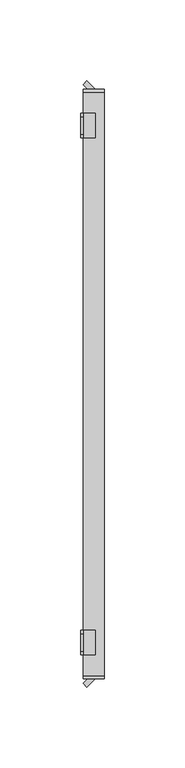
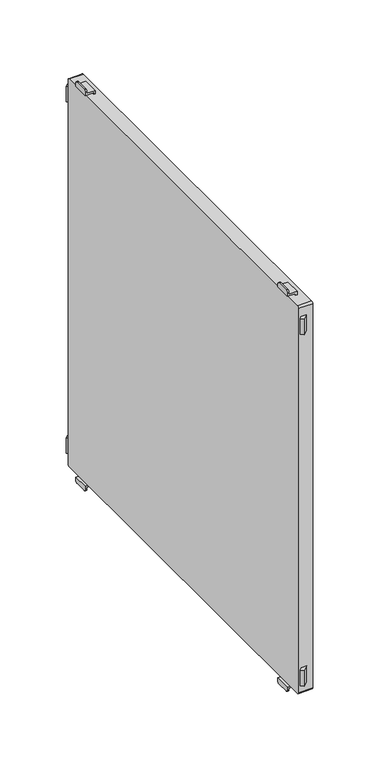
"""IFC4 building model written with IfcOpenShell, lengths in millimetres: furniture geometry."""

from ifc_helpers import new_model, si_unit, point, frame, frame_2d, origin, place, context, project, spatial, polyline, circle_curve, trimmed, segment, composite_curve, outline, extrude, source, transform, mapped, element, save
from ifc_brep_helpers import plane_surface, cylinder_surface, advanced_brep


def furniture_0a578b48(model_context):
    return source(origin(), model_context, "Body", "SolidModel", [
        advanced_brep(
        [(-197.0, 152.5, 515.5), (-197.0, 154.5, 513.5), (-197.0, 165.5, 513.5), (-197.0, 167.5, 515.5), (-197.0, 167.5, 517.0), (-197.0, 152.5, 517.0), (-198.5, 152.5, 518.5), (-198.5, 167.5, 518.5), (-198.5, 167.5, 515.5), (-198.5, 165.5, 513.5), (-198.5, 154.5, 513.5), (-198.5, 152.5, 515.5), (-189.5011497, 152.5, 517.0), (-189.5011497, 152.5, 520.0), (-191.0011497, 152.5, 520.0), (-191.0011497, 152.5, 518.5), (-191.0011497, 167.5, 518.5), (-191.0011497, 167.5, 520.0), (-189.5011497, 167.5, 520.0), (-189.5011497, 167.5, 517.0)],
        [
            (0, 1, circle_curve(frame((-197.0, 154.5, 515.5), z_axis=(1.0, 0.0, 0.0), x_axis=(0.0, 1.0, 0.0)), 2.0)),
            (1, 2),
            (2, 3, circle_curve(frame((-197.0, 165.5, 515.5), z_axis=(1.0, 0.0, 0.0), x_axis=(0.0, 1.0, 0.0)), 2.0)),
            (3, 4),
            (4, 5),
            (5, 0),
            (6, 7),
            (7, 8),
            (8, 9, circle_curve(frame((-198.5, 165.5, 515.5), z_axis=(-1.0, 0.0, 0.0), x_axis=(0.0, 1.0, 0.0)), 2.0)),
            (9, 10),
            (10, 11, circle_curve(frame((-198.5, 154.5, 515.5), z_axis=(-1.0, 0.0, 0.0), x_axis=(0.0, 1.0, 0.0)), 2.0)),
            (11, 6),
            (11, 0),
            (5, 12),
            (12, 13),
            (13, 14),
            (14, 15),
            (15, 6),
            (10, 1),
            (9, 2),
            (8, 3),
            (7, 16),
            (16, 17),
            (17, 18),
            (18, 19),
            (19, 4),
            (15, 16),
            (12, 19),
            (18, 13),
            (17, 14),
        ],
        [
            plane_surface(frame((-197.0, 152.5, 517.0), z_axis=(1.0, 0.0, 0.0), x_axis=(0.0, 0.0, -1.0))),
            plane_surface(frame((-198.5, 152.5, 517.0), z_axis=(-1.0, 0.0, 0.0), x_axis=(0.0, 0.0, 1.0))),
            plane_surface(frame((-197.0, 152.5, 518.5), z_axis=(0.0, -1.0, 0.0), x_axis=(-1.0, 0.0, 0.0))),
            cylinder_surface(frame((-198.5, 154.5, 515.5), z_axis=(1.0, 0.0, 0.0), x_axis=(0.0, 1.0, 0.0)), 2.0),
            plane_surface(frame((-197.0, 154.5, 513.5), z_axis=(0.0, 0.0, -1.0), x_axis=(-1.0, 0.0, 0.0))),
            cylinder_surface(frame((-198.5, 165.5, 515.5), z_axis=(1.0, 0.0, 0.0), x_axis=(0.0, 1.0, 0.0)), 2.0),
            plane_surface(frame((-197.0, 167.5, 515.5), z_axis=(0.0, 1.0, 0.0), x_axis=(-1.0, 0.0, 0.0))),
            plane_surface(frame((-197.0, 167.5, 518.5), z_axis=(0.0, 0.0, 1.0), x_axis=(-1.0, 0.0, 0.0))),
            plane_surface(frame((-189.5011497, 152.5, 517.0), z_axis=(1.0, 0.0, 0.0), x_axis=(0.0, 1.0, 0.0))),
            plane_surface(frame((-189.5011497, 152.5, 520.0), z_axis=(0.0, 0.0, 1.0), x_axis=(0.0, 1.0, 0.0))),
            plane_surface(frame((-191.0011497, 152.5, 520.0), z_axis=(-1.0, 0.0, 0.0), x_axis=(0.0, 1.0, 0.0))),
            plane_surface(frame((-197.0, 152.5, 517.0), z_axis=(0.0, 0.0, -1.0), x_axis=(0.0, 1.0, 0.0))),
        ],
        [
            (0, [[1, 2, 3, 4, 5, 6]]),
            (1, [[7, 8, 9, 10, 11, 12]]),
            (2, [[-12, 13, -6, 14, 15, 16, 17, 18]]),
            (3, [[-1, -13, -11, 19]]),
            (4, [[-2, -19, -10, 20]]),
            (5, [[-3, -20, -9, 21]]),
            (6, [[-8, 22, 23, 24, 25, 26, -4, -21]]),
            (7, [[-22, -7, -18, 27]]),
            (8, [[-15, 28, -25, 29]]),
            (9, [[-16, -29, -24, 30]]),
            (10, [[-17, -30, -23, -27]]),
            (11, [[-14, -5, -26, -28]]),
        ],
    ),
        advanced_brep(
        [(-197.0, -167.5, 515.5), (-197.0, -165.5, 513.5), (-197.0, -154.5, 513.5), (-197.0, -152.5, 515.5), (-197.0, -152.5, 517.0), (-197.0, -167.5, 517.0), (-198.5, -152.5, 518.5), (-198.5, -152.5, 515.5), (-198.5, -154.5, 513.5), (-198.5, -165.5, 513.5), (-198.5, -167.5, 515.5), (-198.5, -167.5, 518.5), (-191.0011497, -167.5, 518.5), (-191.0011497, -152.5, 518.5), (-189.5011497, -167.5, 517.0), (-189.5011497, -167.5, 520.0), (-191.0011497, -167.5, 520.0), (-191.0011497, -152.5, 520.0), (-189.5011497, -152.5, 520.0), (-189.5011497, -152.5, 517.0)],
        [
            (0, 1, circle_curve(frame((-197.0, -165.5, 515.5), z_axis=(1.0, 0.0, 0.0), x_axis=(0.0, 1.0, 0.0)), 2.0)),
            (1, 2),
            (2, 3, circle_curve(frame((-197.0, -154.5, 515.5), z_axis=(1.0, 0.0, 0.0), x_axis=(0.0, 1.0, 0.0)), 2.0)),
            (3, 4),
            (4, 5),
            (5, 0),
            (6, 7),
            (7, 8, circle_curve(frame((-198.5, -154.5, 515.5), z_axis=(-1.0, 0.0, 0.0), x_axis=(0.0, 1.0, 0.0)), 2.0)),
            (8, 9),
            (9, 10, circle_curve(frame((-198.5, -165.5, 515.5), z_axis=(-1.0, 0.0, 0.0), x_axis=(0.0, 1.0, 0.0)), 2.0)),
            (10, 11),
            (11, 6),
            (11, 12),
            (12, 13),
            (13, 6),
            (10, 0),
            (5, 14),
            (14, 15),
            (15, 16),
            (16, 12),
            (9, 1),
            (8, 2),
            (7, 3),
            (13, 17),
            (17, 18),
            (18, 19),
            (19, 4),
            (18, 15),
            (14, 19),
            (17, 16),
        ],
        [
            plane_surface(frame((-197.0, 152.5, 517.0), z_axis=(1.0, 0.0, 0.0), x_axis=(0.0, 0.0, -1.0))),
            plane_surface(frame((-198.5, 152.5, 517.0), z_axis=(-1.0, 0.0, 0.0), x_axis=(0.0, 0.0, 1.0))),
            plane_surface(frame((-197.0, -152.5, 518.5), z_axis=(0.0, 0.0, 1.0), x_axis=(-1.0, 0.0, 0.0))),
            plane_surface(frame((-197.0, -167.5, 518.5), z_axis=(0.0, -1.0, 0.0), x_axis=(-1.0, 0.0, 0.0))),
            cylinder_surface(frame((-200.0, -165.5, 515.5), z_axis=(1.0, 0.0, 0.0), x_axis=(0.0, 1.0, 0.0)), 2.0),
            plane_surface(frame((-197.0, -165.5, 513.5), z_axis=(0.0, 0.0, -1.0), x_axis=(-1.0, 0.0, 0.0))),
            cylinder_surface(frame((-200.0, -154.5, 515.5), z_axis=(1.0, 0.0, 0.0), x_axis=(0.0, 1.0, 0.0)), 2.0),
            plane_surface(frame((-197.0, -152.5, 515.5), z_axis=(0.0, 1.0, 0.0), x_axis=(-1.0, 0.0, 0.0))),
            plane_surface(frame((-189.5011497, -152.5, 520.0), z_axis=(1.0, 0.0, 0.0), x_axis=(0.0, -1.0, 0.0))),
            plane_surface(frame((-191.0011497, -152.5, 520.0), z_axis=(0.0, 0.0, 1.0), x_axis=(0.0, -1.0, 0.0))),
            plane_surface(frame((-191.0011497, -152.5, 518.5), z_axis=(-1.0, 0.0, 0.0), x_axis=(0.0, -1.0, 0.0))),
            plane_surface(frame((-189.5011497, -152.5, 517.0), z_axis=(0.0, 0.0, -1.0), x_axis=(0.0, -1.0, 0.0))),
        ],
        [
            (0, [[1, 2, 3, 4, 5, 6]]),
            (1, [[7, 8, 9, 10, 11, 12]]),
            (2, [[-12, 13, 14, 15]]),
            (3, [[-11, 16, -6, 17, 18, 19, 20, -13]]),
            (4, [[-1, -16, -10, 21]]),
            (5, [[-2, -21, -9, 22]]),
            (6, [[-3, -22, -8, 23]]),
            (7, [[-7, -15, 24, 25, 26, 27, -4, -23]]),
            (8, [[-26, 28, -18, 29]]),
            (9, [[-25, 30, -19, -28]]),
            (10, [[-24, -14, -20, -30]]),
            (11, [[-27, -29, -17, -5]]),
        ],
    ),
        advanced_brep(
        [(-197.0, 167.5, 899.5), (-197.0, 165.5, 901.5), (-197.0, 154.5, 901.5), (-197.0, 152.5, 899.5), (-197.0, 152.5, 898.0), (-197.0, 167.5, 898.0), (-198.5, 152.5, 896.5), (-198.5, 152.5, 899.5), (-198.5, 154.5, 901.5), (-198.5, 165.5, 901.5), (-198.5, 167.5, 899.5), (-198.5, 167.5, 896.5), (-189.5011497, 152.5, 898.0), (-191.0011497, 152.5, 896.5), (-191.0011497, 152.5, 895.0), (-189.5011497, 152.5, 895.0), (-189.5011497, 167.5, 898.0), (-189.5011497, 167.5, 895.0), (-191.0011497, 167.5, 895.0), (-191.0011497, 167.5, 896.5)],
        [
            (0, 1, circle_curve(frame((-197.0, 165.5, 899.5), z_axis=(1.0, 0.0, 0.0), x_axis=(0.0, 1.0, 0.0)), 2.0)),
            (1, 2),
            (2, 3, circle_curve(frame((-197.0, 154.5, 899.5), z_axis=(1.0, 0.0, 0.0), x_axis=(0.0, 1.0, 0.0)), 2.0)),
            (3, 4),
            (4, 5),
            (5, 0),
            (6, 7),
            (7, 8, circle_curve(frame((-198.5, 154.5, 899.5), z_axis=(-1.0, 0.0, 0.0), x_axis=(0.0, 1.0, 0.0)), 2.0)),
            (8, 9),
            (9, 10, circle_curve(frame((-198.5, 165.5, 899.5), z_axis=(-1.0, 0.0, 0.0), x_axis=(0.0, 1.0, 0.0)), 2.0)),
            (10, 11),
            (11, 6),
            (12, 4),
            (3, 7),
            (6, 13),
            (13, 14),
            (14, 15),
            (15, 12),
            (16, 17),
            (17, 18),
            (18, 19),
            (19, 11),
            (10, 0),
            (5, 16),
            (19, 13),
            (9, 1),
            (8, 2),
            (12, 16),
            (18, 14),
            (17, 15),
        ],
        [
            plane_surface(frame((-197.0, 152.5, 517.0), z_axis=(1.0, 0.0, 0.0), x_axis=(0.0, 0.0, -1.0))),
            plane_surface(frame((-198.5, 152.5, 517.0), z_axis=(-1.0, 0.0, 0.0), x_axis=(0.0, 0.0, 1.0))),
            plane_surface(frame((-197.0, 152.5, 518.5), z_axis=(0.0, -1.0, 0.0), x_axis=(-1.0, 0.0, 0.0))),
            plane_surface(frame((-197.0, 167.5, 515.5), z_axis=(0.0, 1.0, 0.0), x_axis=(-1.0, 0.0, 0.0))),
            plane_surface(frame((-197.0, 152.5, 896.5), z_axis=(0.0, 0.0, -1.0), x_axis=(-1.0, 0.0, 0.0))),
            cylinder_surface(frame((-200.0, 165.5, 899.5), z_axis=(1.0, 0.0, 0.0), x_axis=(0.0, 1.0, 0.0)), 2.0),
            plane_surface(frame((-197.0, 165.5, 901.5), z_axis=(0.0, 0.0, 1.0), x_axis=(-1.0, 0.0, 0.0))),
            cylinder_surface(frame((-200.0, 154.5, 899.5), z_axis=(1.0, 0.0, 0.0), x_axis=(0.0, 1.0, 0.0)), 2.0),
            plane_surface(frame((-189.5011497, 152.5, 898.0), z_axis=(0.0, 0.0, 1.0), x_axis=(0.0, 1.0, 0.0))),
            plane_surface(frame((-191.0011497, 152.5, 896.5), z_axis=(-1.0, 0.0, 0.0), x_axis=(0.0, 1.0, 0.0))),
            plane_surface(frame((-191.0011497, 152.5, 895.0), z_axis=(0.0, 0.0, -1.0), x_axis=(0.0, 1.0, 0.0))),
            plane_surface(frame((-189.5011497, 152.5, 895.0), z_axis=(1.0, 0.0, 0.0), x_axis=(0.0, 1.0, 0.0))),
        ],
        [
            (0, [[1, 2, 3, 4, 5, 6]]),
            (1, [[7, 8, 9, 10, 11, 12]]),
            (2, [[13, -4, 14, -7, 15, 16, 17, 18]]),
            (3, [[19, 20, 21, 22, -11, 23, -6, 24]]),
            (4, [[-15, -12, -22, 25]]),
            (5, [[-1, -23, -10, 26]]),
            (6, [[-2, -26, -9, 27]]),
            (7, [[-3, -27, -8, -14]]),
            (8, [[-13, 28, -24, -5]]),
            (9, [[-16, -25, -21, 29]]),
            (10, [[-17, -29, -20, 30]]),
            (11, [[-18, -30, -19, -28]]),
        ],
    ),
        advanced_brep(
        [(-197.0, -152.5, 899.5), (-197.0, -154.5, 901.5), (-197.0, -165.5, 901.5), (-197.0, -167.5, 899.5), (-197.0, -167.5, 898.0), (-197.0, -152.5, 898.0), (-198.5, -152.5, 896.5), (-198.5, -167.5, 896.5), (-198.5, -167.5, 899.5), (-198.5, -165.5, 901.5), (-198.5, -154.5, 901.5), (-198.5, -152.5, 899.5), (-191.0011497, -167.5, 896.5), (-191.0011497, -167.5, 895.0), (-189.5011497, -167.5, 895.0), (-189.5011497, -167.5, 898.0), (-189.5011497, -152.5, 898.0), (-189.5011497, -152.5, 895.0), (-191.0011497, -152.5, 895.0), (-191.0011497, -152.5, 896.5)],
        [
            (0, 1, circle_curve(frame((-197.0, -154.5, 899.5), z_axis=(1.0, 0.0, 0.0), x_axis=(0.0, 1.0, 0.0)), 2.0)),
            (1, 2),
            (2, 3, circle_curve(frame((-197.0, -165.5, 899.5), z_axis=(1.0, 0.0, 0.0), x_axis=(0.0, 1.0, 0.0)), 2.0)),
            (3, 4),
            (4, 5),
            (5, 0),
            (6, 7),
            (7, 8),
            (8, 9, circle_curve(frame((-198.5, -165.5, 899.5), z_axis=(-1.0, 0.0, 0.0), x_axis=(0.0, 1.0, 0.0)), 2.0)),
            (9, 10),
            (10, 11, circle_curve(frame((-198.5, -154.5, 899.5), z_axis=(-1.0, 0.0, 0.0), x_axis=(0.0, 1.0, 0.0)), 2.0)),
            (11, 6),
            (7, 12),
            (12, 13),
            (13, 14),
            (14, 15),
            (15, 4),
            (3, 8),
            (11, 0),
            (5, 16),
            (16, 17),
            (17, 18),
            (18, 19),
            (19, 6),
            (10, 1),
            (9, 2),
            (19, 12),
            (15, 16),
            (18, 13),
            (17, 14),
        ],
        [
            plane_surface(frame((-197.0, 152.5, 517.0), z_axis=(1.0, 0.0, 0.0), x_axis=(0.0, 0.0, -1.0))),
            plane_surface(frame((-198.5, 152.5, 517.0), z_axis=(-1.0, 0.0, 0.0), x_axis=(0.0, 0.0, 1.0))),
            plane_surface(frame((-197.0, -167.5, 518.5), z_axis=(0.0, -1.0, 0.0), x_axis=(-1.0, 0.0, 0.0))),
            plane_surface(frame((-197.0, -152.5, 515.5), z_axis=(0.0, 1.0, 0.0), x_axis=(-1.0, 0.0, 0.0))),
            cylinder_surface(frame((-200.0, -154.5, 899.5), z_axis=(1.0, 0.0, 0.0), x_axis=(0.0, 1.0, 0.0)), 2.0),
            plane_surface(frame((-197.0, -154.5, 901.5), z_axis=(0.0, 0.0, 1.0), x_axis=(-1.0, 0.0, 0.0))),
            cylinder_surface(frame((-200.0, -165.5, 899.5), z_axis=(1.0, 0.0, 0.0), x_axis=(0.0, 1.0, 0.0)), 2.0),
            plane_surface(frame((-197.0, -167.5, 896.5), z_axis=(0.0, 0.0, -1.0), x_axis=(-1.0, 0.0, 0.0))),
            plane_surface(frame((-197.0, -152.5, 898.0), z_axis=(0.0, 0.0, 1.0), x_axis=(0.0, -1.0, 0.0))),
            plane_surface(frame((-191.0011497, -152.5, 895.0), z_axis=(-1.0, 0.0, 0.0), x_axis=(0.0, -1.0, 0.0))),
            plane_surface(frame((-189.5011497, -152.5, 895.0), z_axis=(0.0, 0.0, -1.0), x_axis=(0.0, -1.0, 0.0))),
            plane_surface(frame((-189.5011497, -152.5, 898.0), z_axis=(1.0, 0.0, 0.0), x_axis=(0.0, -1.0, 0.0))),
        ],
        [
            (0, [[1, 2, 3, 4, 5, 6]]),
            (1, [[7, 8, 9, 10, 11, 12]]),
            (2, [[-8, 13, 14, 15, 16, 17, -4, 18]]),
            (3, [[-12, 19, -6, 20, 21, 22, 23, 24]]),
            (4, [[-1, -19, -11, 25]]),
            (5, [[-2, -25, -10, 26]]),
            (6, [[-3, -26, -9, -18]]),
            (7, [[-7, -24, 27, -13]]),
            (8, [[-20, -5, -17, 28]]),
            (9, [[-23, 29, -14, -27]]),
            (10, [[-22, 30, -15, -29]]),
            (11, [[-21, -28, -16, -30]]),
        ],
    ),
        extrude(outline(polyline([(-197.0, -185.3223305), (-194.1776695, -182.5), (-189.5011497, -182.5), (-194.6617401, -187.6605904), (-197.0, -185.3223305)])), frame((0.0, 0.0, 530.0), z_axis=(0.0, 0.0, 1.0), x_axis=(1.0, 0.0, 0.0)), (0.0, 0.0, 1.0), 15.0),
        extrude(outline(polyline([(-197.0, 185.3223305), (-194.6617401, 187.6605904), (-189.5011497, 182.5), (-194.1776695, 182.5), (-197.0, 185.3223305)])), frame((0.0, 0.0, 530.0), z_axis=(0.0, 0.0, 1.0), x_axis=(1.0, 0.0, 0.0)), (0.0, 0.0, 1.0), 15.0),
        extrude(outline(composite_curve([segment(polyline([(182.5, 893.2), (182.5, 521.8)]), True, "CONTINUOUS"), segment(trimmed(circle_curve(frame_2d((180.7, 521.8)), 1.8), [point((182.5, 521.8))], [point((180.7, 520.0))], False, "CARTESIAN"), True, "CONTINUOUS"), segment(polyline([(180.7, 520.0), (-180.7, 520.0)]), True, "CONTINUOUS"), segment(trimmed(circle_curve(frame_2d((-180.7, 521.8)), 1.8), [point((-180.7, 520.0))], [point((-182.5, 521.8))], False, "CARTESIAN"), True, "CONTINUOUS"), segment(polyline([(-182.5, 521.8), (-182.5, 893.2)]), True, "CONTINUOUS"), segment(trimmed(circle_curve(frame_2d((-180.7, 893.2)), 1.8), [point((-182.5, 893.2))], [point((-180.7, 895.0))], False, "CARTESIAN"), True, "CONTINUOUS"), segment(polyline([(-180.7, 895.0), (180.7, 895.0)]), True, "CONTINUOUS"), segment(trimmed(circle_curve(frame_2d((180.7, 893.2)), 1.8), [point((180.7, 895.0))], [point((182.5, 893.2))], False, "CARTESIAN"), True, "CONTINUOUS")], self_intersect=False)), frame((-197.0, 0.0, 0.0), z_axis=(1.0, 0.0, 0.0), x_axis=(0.0, 1.0, 0.0)), (0.0, 0.0, 1.0), 13.000205),
        extrude(outline(polyline([(-197.0, -185.3223305), (-194.1776695, -182.5), (-189.5011497, -182.5), (-194.6617401, -187.6605904), (-197.0, -185.3223305)])), frame((0.0, 0.0, 870.0), z_axis=(0.0, 0.0, 1.0), x_axis=(1.0, 0.0, 0.0)), (0.0, 0.0, 1.0), 15.0),
        extrude(outline(polyline([(-197.0, 185.3223305), (-194.6617401, 187.6605904), (-189.5011497, 182.5), (-194.1776695, 182.5), (-197.0, 185.3223305)])), frame((0.0, 0.0, 870.0), z_axis=(0.0, 0.0, 1.0), x_axis=(1.0, 0.0, 0.0)), (0.0, 0.0, 1.0), 15.0),
    ])


if __name__ == "__main__":
    model = new_model("IFC4")
    model_context = context("Model", 3, world=origin())
    ifc_project = project(units=[si_unit("LENGTHUNIT", "METRE", prefix="MILLI")], contexts=[model_context])
    site = spatial("IfcSite", under=ifc_project)
    building = spatial("IfcBuilding", under=site)
    placement = place(None, origin())
    furniture_shape = furniture_0a578b48(model_context)
    element("IfcFurniture", 1, at=placement, inside=building, context=model_context, shape_type="MappedRepresentation", body=[
        mapped(furniture_shape, transform((0.0, 0.0, 0.0), x_axis=(1.0, 0.0, 0.0), y_axis=(0.0, 1.0, 0.0), z_axis=(0.0, 0.0, 1.0))),
    ])
    save(model, "model.ifc")
